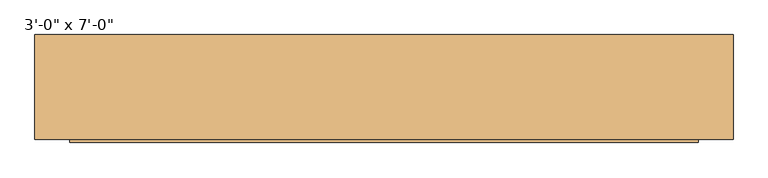
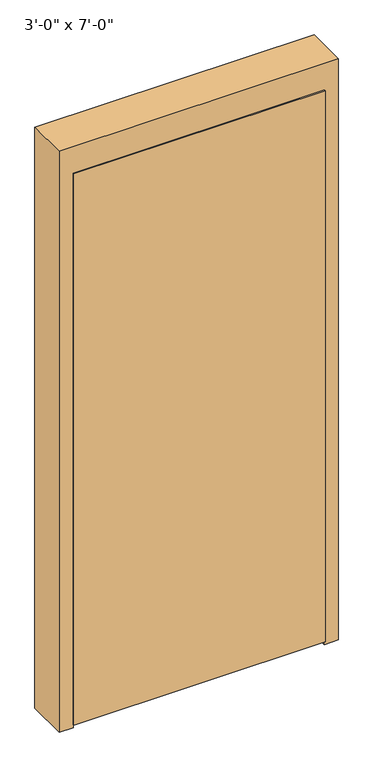
"""IFC4 building model written with IfcOpenShell, lengths in millimetres: door geometry."""

from ifc_helpers import new_model, si_unit, frame, origin, place, context, project, spatial, polyline, outline, extrude, source, transform, mapped, element, save


def door_2d63d94f(model_context):
    return source(origin(), model_context, "Body", "SweptSolid", [
        extrude(outline(polyline([(0.0, -457.2), (0.0, -444.5), (2120.9, -444.5), (2120.9, 444.5), (0.0, 444.5), (0.0, 457.2), (2133.6, 457.2), (2133.6, -457.2), (0.0, -457.2)])), frame((0.0, -20.6375, 0.0), z_axis=(0.0, 1.0, 0.0), x_axis=(0.0, 0.0, 1.0)), (0.0, 0.0, 1.0), 50.8),
        extrude(outline(polyline([(2235.2, 508.0), (2235.2, -508.0), (0.0, -508.0), (0.0, -457.2), (2133.6, -457.2), (2133.6, 457.2), (0.0, 457.2), (0.0, 508.0), (2235.2, 508.0)])), frame((0.0, -71.4375, 0.0), z_axis=(0.0, 1.0, 0.0), x_axis=(0.0, 0.0, 1.0)), (0.0, 0.0, 1.0), 152.4),
        extrude(outline(polyline([(-457.2, -76.2), (-457.2, -31.75), (457.2, -31.75), (457.2, -76.2), (-457.2, -76.2)])), frame((0.0, 0.0, 12.7), z_axis=(0.0, 0.0, 1.0), x_axis=(1.0, 0.0, 0.0)), (0.0, 0.0, 1.0), 2120.9),
    ])


if __name__ == "__main__":
    model = new_model("IFC4")
    model_context = context("Model", 3, world=origin())
    ifc_project = project(units=[si_unit("LENGTHUNIT", "METRE", prefix="MILLI")], contexts=[model_context])
    site = spatial("IfcSite", under=ifc_project)
    building = spatial("IfcBuilding", under=site)
    placement = place(None, origin())
    door_shape = door_2d63d94f(model_context)
    element("IfcDoor", 1, ObjectType="3'-0\" x 7'-0\"", at=placement, inside=building, context=model_context, shape_type="MappedRepresentation", body=[
        mapped(door_shape, transform((0.0, 0.0, 0.0), x_axis=(1.0, 0.0, 0.0), y_axis=(0.0, 1.0, 0.0), z_axis=(0.0, 0.0, 1.0))),
    ])
    save(model, "model.ifc")
